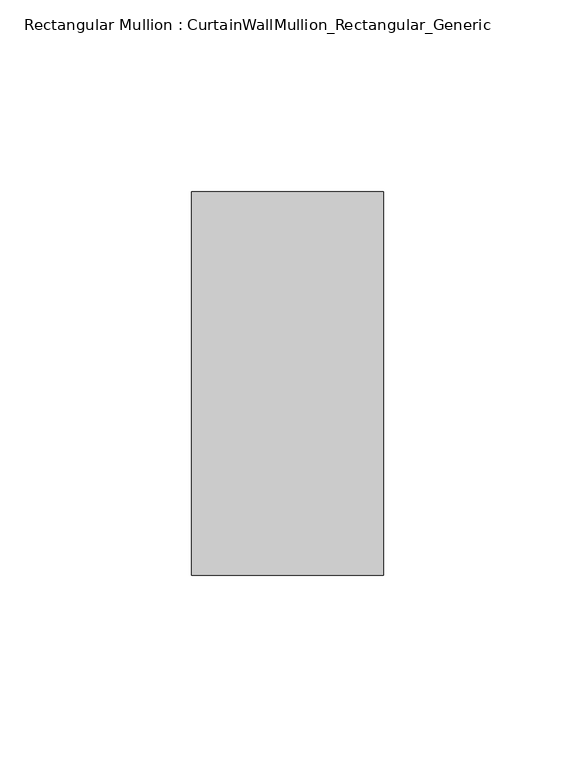
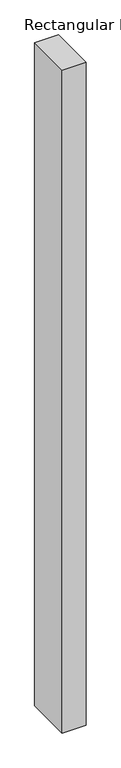
"""IFC4 building model written with IfcOpenShell, lengths in millimetres: member geometry, Rectangular Mullion : CurtainWallMullion_Rectangular_Generic."""

from ifc_helpers import new_model, si_unit, frame, origin, place, context, project, spatial, polyline, outline, extrude, source, transform, mapped, element, save


def rectangular_mullion_curtainwallmullion_rectangular_generic_c8aeeeb2(model_context):
    return source(origin(), model_context, "Body", "SweptSolid", [
        extrude(outline(polyline([(0.0, 50.0), (0.0, -50.0), (-50.0, -50.0), (-50.0, 50.0), (0.0, 50.0)])), frame((0.0, 0.0, -1475.0), z_axis=(0.0, 0.0, 1.0), x_axis=(1.0, 0.0, 0.0)), (0.0, 0.0, 1.0), 1475.0),
    ])


if __name__ == "__main__":
    model = new_model("IFC4")
    model_context = context("Model", 3, world=origin())
    ifc_project = project(units=[si_unit("LENGTHUNIT", "METRE", prefix="MILLI")], contexts=[model_context])
    site = spatial("IfcSite", under=ifc_project)
    building = spatial("IfcBuilding", under=site)
    placement = place(None, origin())
    rectangular_mullion_curtainwallmullion_rectangular_generic_shape = rectangular_mullion_curtainwallmullion_rectangular_generic_c8aeeeb2(model_context)
    element("IfcMember", 1, ObjectType="Rectangular Mullion : CurtainWallMullion_Rectangular_Generic", at=placement, inside=building, context=model_context, shape_type="MappedRepresentation", body=[
        mapped(rectangular_mullion_curtainwallmullion_rectangular_generic_shape, transform((0.0, 0.0, 0.0), x_axis=(1.0, 0.0, 0.0), y_axis=(0.0, 1.0, 0.0), z_axis=(0.0, 0.0, 1.0))),
    ])
    save(model, "model.ifc")
